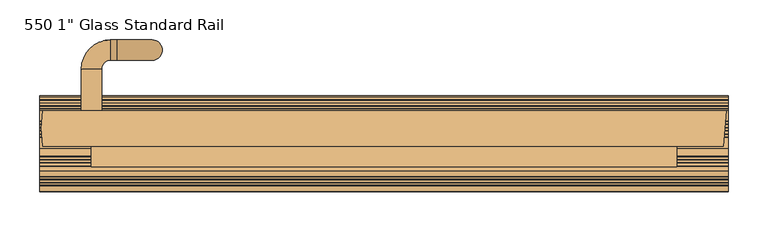
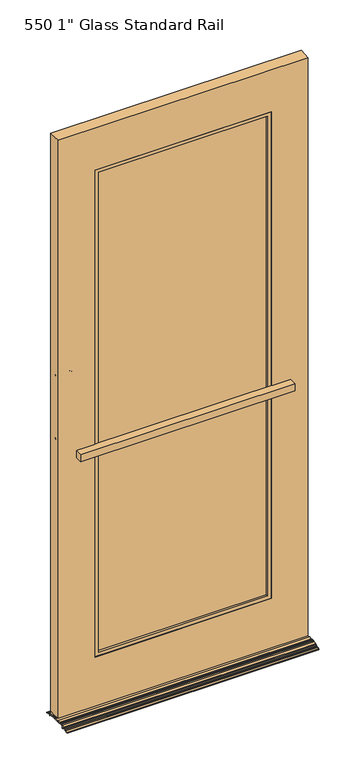
"""IFC4 building model written with IfcOpenShell, lengths in millimetres: door geometry."""

from ifc_helpers import new_model, si_unit, point, frame, frame_2d, origin, place, context, project, spatial, polyline, circle_curve, ellipse_curve, trimmed, segment, composite_curve, outline, extrude, faceted_brep, source, transform, mapped, element, save
from ifc_brep_helpers import plane_surface, cylinder_surface, revolved_surface, advanced_brep


def door_8fe149e4(model_context):
    return source(origin(), model_context, "Body", "SolidModel", [
        advanced_brep(
        [(-379.8092547, 22.225, 1181.1), (-354.4094953, 22.225, 1181.1), (-379.8092547, 22.225, 952.5), (-354.4094953, 22.225, 952.5), (-379.8092547, 74.4897494, 1181.1), (-354.4094953, 74.4897494, 1181.1), (-343.1740041, 85.7252407, 1181.1), (-343.1740041, 111.125, 1181.1), (-335.3592547, 111.125, 1181.1), (-335.3592547, 85.7252407, 1181.1), (-290.9092547, 85.7252407, 1136.65), (-290.9092547, 111.125, 1136.65), (-290.9092547, 111.125, 996.95), (-290.9092547, 85.7252407, 996.95), (-335.3592547, 85.7252407, 952.5), (-335.3592547, 111.125, 952.5), (-343.1740041, 111.125, 952.5), (-343.1740041, 85.7252407, 952.5), (-354.4094953, 74.4897494, 952.5), (-379.8092547, 74.4897494, 952.5)],
        [
            (0, 1, circle_curve(frame((-367.109375, 22.225, 1181.1), z_axis=(0.0, -1.0, 0.0), x_axis=(-1.0, 0.0, 0.0)), 12.6998797)),
            (1, 0, circle_curve(frame((-367.109375, 22.225, 1181.1), z_axis=(0.0, -1.0, 0.0), x_axis=(-1.0, 0.0, 0.0)), 12.6998797)),
            (2, 3, circle_curve(frame((-367.109375, 22.225, 952.5), z_axis=(0.0, -1.0, 0.0), x_axis=(-1.0, 0.0, 0.0)), 12.6998797)),
            (3, 2, circle_curve(frame((-367.109375, 22.225, 952.5), z_axis=(0.0, -1.0, 0.0), x_axis=(-1.0, 0.0, 0.0)), 12.6998797)),
            (0, 4),
            (4, 5, circle_curve(frame((-367.109375, 74.4897494, 1181.1), z_axis=(0.0, -1.0, 0.0), x_axis=(-1.0, 0.0, 0.0)), 12.6998797)),
            (5, 1),
            (5, 4, circle_curve(frame((-367.109375, 74.4897494, 1181.1), z_axis=(0.0, -1.0, 0.0), x_axis=(-1.0, 0.0, 0.0)), 12.6998797)),
            (6, 5, circle_curve(frame((-343.1740041, 74.4897494, 1181.1), z_axis=(0.0, 0.0, 1.0), x_axis=(-1.0, 0.0, 0.0)), 11.2354913)),
            (4, 7, circle_curve(frame((-343.1740041, 74.4897494, 1181.1), z_axis=(0.0, 0.0, -1.0), x_axis=(-1.0, 0.0, 0.0)), 36.6352506)),
            (7, 6, circle_curve(frame((-343.1740041, 98.4251203, 1181.1), z_axis=(-1.0, 0.0, 0.0), x_axis=(0.0, 1.0, 0.0)), 12.6998797)),
            (6, 7, circle_curve(frame((-343.1740041, 98.4251203, 1181.1), z_axis=(-1.0, 0.0, 0.0), x_axis=(0.0, 1.0, 0.0)), 12.6998797)),
            (7, 8),
            (8, 9, circle_curve(frame((-335.3592547, 98.4251203, 1181.1), z_axis=(-1.0, 0.0, 0.0), x_axis=(0.0, 1.0, 0.0)), 12.6998797)),
            (9, 6),
            (9, 8, circle_curve(frame((-335.3592547, 98.4251203, 1181.1), z_axis=(-1.0, 0.0, 0.0), x_axis=(0.0, 1.0, 0.0)), 12.6998797)),
            (10, 9, circle_curve(frame((-335.3592547, 85.7252407, 1136.65), z_axis=(0.0, -1.0, 0.0), x_axis=(0.0, 0.0, 1.0)), 44.45)),
            (8, 11, circle_curve(frame((-335.3592547, 111.125, 1136.65), z_axis=(0.0, 1.0, 0.0), x_axis=(0.0, 0.0, 1.0)), 44.45)),
            (11, 10, circle_curve(frame((-290.9092547, 98.4251203, 1136.65), z_axis=(0.0, 0.0, 1.0), x_axis=(0.0, 1.0, 0.0)), 12.6998797)),
            (10, 11, circle_curve(frame((-290.9092547, 98.4251203, 1136.65), z_axis=(0.0, 0.0, 1.0), x_axis=(0.0, 1.0, 0.0)), 12.6998797)),
            (11, 12),
            (12, 13, circle_curve(frame((-290.9092547, 98.4251203, 996.95), z_axis=(0.0, 0.0, 1.0), x_axis=(0.0, 1.0, 0.0)), 12.6998797)),
            (13, 10),
            (13, 12, circle_curve(frame((-290.9092547, 98.4251203, 996.95), z_axis=(0.0, 0.0, 1.0), x_axis=(0.0, 1.0, 0.0)), 12.6998797)),
            (14, 13, circle_curve(frame((-335.3592547, 85.7252407, 996.95), z_axis=(0.0, -1.0, 0.0), x_axis=(1.0, 0.0, 0.0)), 44.45)),
            (12, 15, circle_curve(frame((-335.3592547, 111.125, 996.95), z_axis=(0.0, 1.0, 0.0), x_axis=(1.0, 0.0, 0.0)), 44.45)),
            (15, 14, circle_curve(frame((-335.3592547, 98.4251203, 952.5), z_axis=(1.0, 0.0, 0.0), x_axis=(0.0, 1.0, 0.0)), 12.6998797)),
            (14, 15, circle_curve(frame((-335.3592547, 98.4251203, 952.5), z_axis=(1.0, 0.0, 0.0), x_axis=(0.0, 1.0, 0.0)), 12.6998797)),
            (15, 16),
            (16, 17, circle_curve(frame((-343.1740041, 98.4251203, 952.5), z_axis=(1.0, 0.0, 0.0), x_axis=(0.0, 1.0, 0.0)), 12.6998797)),
            (17, 14),
            (17, 16, circle_curve(frame((-343.1740041, 98.4251203, 952.5), z_axis=(1.0, 0.0, 0.0), x_axis=(0.0, 1.0, 0.0)), 12.6998797)),
            (18, 17, circle_curve(frame((-343.1740041, 74.4897494, 952.5), z_axis=(0.0, 0.0, -1.0), x_axis=(0.0, 1.0, 0.0)), 11.2354913)),
            (16, 19, circle_curve(frame((-343.1740041, 74.4897494, 952.5), z_axis=(0.0, 0.0, 1.0), x_axis=(0.0, 1.0, 0.0)), 36.6352506)),
            (19, 18, circle_curve(frame((-367.109375, 74.4897494, 952.5), z_axis=(0.0, 1.0, 0.0), x_axis=(-1.0, 0.0, 0.0)), 12.6998797)),
            (18, 19, circle_curve(frame((-367.109375, 74.4897494, 952.5), z_axis=(0.0, 1.0, 0.0), x_axis=(-1.0, 0.0, 0.0)), 12.6998797)),
            (19, 2),
            (3, 18),
        ],
        [
            plane_surface(frame((-379.8092547, 22.225, 1181.1), z_axis=(0.0, -1.0, 0.0), x_axis=(0.0, 0.0, 1.0))),
            plane_surface(frame((-379.8092547, 22.225, 952.5), z_axis=(0.0, -1.0, 0.0), x_axis=(0.0, 0.0, -1.0))),
            cylinder_surface(frame((-367.109375, 22.225, 1181.1), z_axis=(0.0, -1.0, 0.0), x_axis=(-1.0, 0.0, 0.0)), 12.6998797),
            revolved_surface(trimmed(ellipse_curve(frame((-367.109375, 74.4897494, 1181.1), z_axis=(0.0, -1.0, 0.0), x_axis=(-1.0, 0.0, 0.0)), 12.6998797, 12.6998797), [point((-379.8092547, 74.4897494, 1181.1))], [point((-354.4094953, 74.4897494, 1181.1))], True, "CARTESIAN"), (-343.1740041, 74.4897494, 1181.1), (0.0, 0.0, -1.0)),
            revolved_surface(trimmed(ellipse_curve(frame((-367.109375, 74.4897494, 1181.1), z_axis=(0.0, -1.0, 0.0), x_axis=(-1.0, 0.0, 0.0)), 12.6998797, 12.6998797), [point((-354.4094953, 74.4897494, 1181.1))], [point((-379.8092547, 74.4897494, 1181.1))], True, "CARTESIAN"), (-343.1740041, 74.4897494, 1181.1), (0.0, 0.0, -1.0)),
            cylinder_surface(frame((-343.1740041, 98.4251203, 1181.1), z_axis=(-1.0, 0.0, 0.0), x_axis=(0.0, 1.0, 0.0)), 12.6998797),
            revolved_surface(trimmed(ellipse_curve(frame((-335.3592547, 98.4251203, 1181.1), z_axis=(-1.0, 0.0, 0.0), x_axis=(0.0, 1.0, 0.0)), 12.6998797, 12.6998797), [point((-335.3592547, 111.125, 1181.1))], [point((-335.3592547, 85.7252407, 1181.1))], True, "CARTESIAN"), (-335.3592547, 98.425, 1136.65), (0.0, 1.0, 0.0)),
            revolved_surface(trimmed(ellipse_curve(frame((-335.3592547, 98.4251203, 1181.1), z_axis=(-1.0, 0.0, 0.0), x_axis=(0.0, 1.0, 0.0)), 12.6998797, 12.6998797), [point((-335.3592547, 85.7252407, 1181.1))], [point((-335.3592547, 111.125, 1181.1))], True, "CARTESIAN"), (-335.3592547, 98.425, 1136.65), (0.0, 1.0, 0.0)),
            cylinder_surface(frame((-290.9092547, 98.4251203, 1136.65), z_axis=(0.0, 0.0, 1.0), x_axis=(0.0, 1.0, 0.0)), 12.6998797),
            revolved_surface(trimmed(ellipse_curve(frame((-290.9092547, 98.4251203, 996.95), z_axis=(0.0, 0.0, 1.0), x_axis=(0.0, 1.0, 0.0)), 12.6998797, 12.6998797), [point((-290.9092547, 111.125, 996.95))], [point((-290.9092547, 85.7252407, 996.95))], True, "CARTESIAN"), (-335.3592547, 98.425, 996.95), (0.0, 1.0, 0.0)),
            revolved_surface(trimmed(ellipse_curve(frame((-290.9092547, 98.4251203, 996.95), z_axis=(0.0, 0.0, 1.0), x_axis=(0.0, 1.0, 0.0)), 12.6998797, 12.6998797), [point((-290.9092547, 85.7252407, 996.95))], [point((-290.9092547, 111.125, 996.95))], True, "CARTESIAN"), (-335.3592547, 98.425, 996.95), (0.0, 1.0, 0.0)),
            cylinder_surface(frame((-335.3592547, 98.4251203, 952.5), z_axis=(1.0, 0.0, 0.0), x_axis=(0.0, 1.0, 0.0)), 12.6998797),
            revolved_surface(trimmed(ellipse_curve(frame((-343.1740041, 98.4251203, 952.5), z_axis=(1.0, 0.0, 0.0), x_axis=(0.0, 1.0, 0.0)), 12.6998797, 12.6998797), [point((-343.1740041, 111.125, 952.5))], [point((-343.1740041, 85.7252407, 952.5))], True, "CARTESIAN"), (-343.1740041, 74.4897494, 952.5), (0.0, 0.0, 1.0)),
            revolved_surface(trimmed(ellipse_curve(frame((-343.1740041, 98.4251203, 952.5), z_axis=(1.0, 0.0, 0.0), x_axis=(0.0, 1.0, 0.0)), 12.6998797, 12.6998797), [point((-343.1740041, 85.7252407, 952.5))], [point((-343.1740041, 111.125, 952.5))], True, "CARTESIAN"), (-343.1740041, 74.4897494, 952.5), (0.0, 0.0, 1.0)),
            cylinder_surface(frame((-367.109375, 74.4897494, 952.5), z_axis=(0.0, 1.0, 0.0), x_axis=(-1.0, 0.0, 0.0)), 12.6998797),
        ],
        [
            (0, [[1, 2]]),
            (1, [[3, 4]]),
            (2, [[-1, 5, 6, 7]]),
            (2, [[-2, -7, 8, -5]]),
            (3, [[9, -6, 10, 11]]),
            (4, [[-10, -8, -9, 12]]),
            (5, [[-11, 13, 14, 15]]),
            (5, [[-12, -15, 16, -13]]),
            (6, [[17, -14, 18, 19]]),
            (7, [[-18, -16, -17, 20]]),
            (8, [[-19, 21, 22, 23]]),
            (8, [[-20, -23, 24, -21]]),
            (9, [[25, -22, 26, 27]]),
            (10, [[-26, -24, -25, 28]]),
            (11, [[-27, 29, 30, 31]]),
            (11, [[-28, -31, 32, -29]]),
            (12, [[33, -30, 34, 35]]),
            (13, [[-34, -32, -33, 36]]),
            (14, [[-35, 37, -4, 38]]),
            (14, [[-36, -38, -3, -37]]),
        ],
    ),
        extrude(outline(polyline([(299.24375, 12.7), (299.24375, -12.7), (-299.24375, -12.7), (-299.24375, 12.7), (299.24375, 12.7)])), frame((0.0, 0.0, 198.4375), z_axis=(0.0, 0.0, 1.0), x_axis=(1.0, 0.0, 0.0)), (0.0, 0.0, 1.0), 1754.1875),
        advanced_brep(
        [(-428.1386034, 22.225, 2108.2), (-428.1386034, -22.225, 2108.2), (425.8373512, -22.225, 2108.2), (429.41875, 22.225, 2108.2), (429.41875, 22.225, 17.4625), (425.8373512, -22.225, 17.4625), (-428.1386034, -22.225, 17.4625), (-428.1386034, 22.225, 17.4625), (-302.41875, -22.225, 1955.8), (302.41875, -22.225, 1955.8), (302.41875, -22.225, 195.2625), (-302.41875, -22.225, 195.2625), (-302.41875, 22.225, 195.2625), (-302.41875, 22.225, 1955.8), (302.41875, 22.225, 195.2625), (302.41875, 22.225, 1955.8)],
        [
            (0, 1, circle_curve(frame((-287.9589585, 0.0, 2108.2), z_axis=(0.0, 0.0, 1.0), x_axis=(1.0, 0.0, 0.0)), 141.9305587)),
            (1, 2),
            (2, 3),
            (3, 0),
            (4, 5),
            (5, 6),
            (6, 7, circle_curve(frame((-287.9589585, 0.0, 17.4625), z_axis=(0.0, 0.0, -1.0), x_axis=(1.0, 0.0, 0.0)), 141.9305587)),
            (7, 4),
            (0, 7),
            (6, 1),
            (5, 2),
            (8, 9),
            (9, 10),
            (10, 11),
            (11, 8),
            (11, 12),
            (12, 13),
            (13, 8),
            (3, 4),
            (12, 14),
            (14, 15),
            (15, 13),
            (14, 10),
            (9, 15),
        ],
        [
            plane_surface(frame((-146.0283998, 0.0, 2108.2), z_axis=(0.0, 0.0, 1.0), x_axis=(0.0, 1.0, 0.0))),
            plane_surface(frame((-146.0283998, 0.0, 17.4625), z_axis=(0.0, 0.0, -1.0), x_axis=(0.0, -1.0, 0.0))),
            cylinder_surface(frame((-287.9589585, 0.0, 17.4625), z_axis=(0.0, 0.0, 1.0), x_axis=(1.0, 0.0, 0.0)), 141.9305587),
            plane_surface(frame((-428.1386034, -22.225, 2108.2), z_axis=(0.0, -1.0, 0.0), x_axis=(0.0, 0.0, -1.0))),
            plane_surface(frame((-302.41875, -22.225, 2108.2), z_axis=(1.0, 0.0, 0.0), x_axis=(0.0, 0.0, -1.0))),
            plane_surface(frame((-302.41875, 22.225, 2108.2), z_axis=(0.0, 1.0, 0.0), x_axis=(0.0, 0.0, -1.0))),
            plane_surface(frame((302.41875, 22.225, 2108.2), z_axis=(-1.0, 0.0, 0.0), x_axis=(0.0, 0.0, -1.0))),
            plane_surface(frame((425.8373512, -22.225, 2108.2), z_axis=(0.9967698431043912, -0.08031114416846107, 0.0), x_axis=(0.0, 0.0, -1.0))),
            plane_surface(frame((-302.41875, -22.225, 195.2625), z_axis=(0.0, 0.0, 1.0), x_axis=(1.0, 0.0, 0.0))),
            plane_surface(frame((-302.41875, 22.225, 1955.8), z_axis=(0.0, 0.0, -1.0), x_axis=(1.0, 0.0, 0.0))),
        ],
        [
            (0, [[1, 2, 3, 4]]),
            (1, [[5, 6, 7, 8]]),
            (2, [[-1, 9, -7, 10]]),
            (3, [[-2, -10, -6, 11], [12, 13, 14, 15]]),
            (4, [[-15, 16, 17, 18]]),
            (5, [[-4, 19, -8, -9], [20, 21, 22, -17]]),
            (6, [[-21, 23, -13, 24]]),
            (7, [[-3, -11, -5, -19]]),
            (8, [[-14, -23, -20, -16]]),
            (9, [[-22, -24, -12, -18]]),
        ],
    ),
        faceted_brep([(297.0609375, -12.7, 1950.4421875), (-297.0339513, -12.7, 1950.4421875), (-297.0339513, -18.9507812, 1950.4421875), (297.0609375, -18.9507812, 1950.4421875), (-297.0339513, -12.7, 200.6203125), (297.0609375, -12.7, 200.6203125), (297.0609375, -18.9507812, 200.6203125), (-297.0339513, -18.9507812, 200.6203125), (-302.41875, -20.6375, 195.2625), (302.41875, -20.6375, 195.2625), (302.41875, -20.6375, 1955.8), (-302.41875, -20.6375, 1955.8), (289.71875, -20.6375, 207.9625), (-289.71875, -20.6375, 207.9625), (-289.71875, -20.6375, 1943.1), (289.71875, -20.6375, 1943.1), (-289.71875, -12.7, 207.9625), (-289.71875, -12.7, 1943.1), (289.71875, -12.7, 207.9625), (289.71875, -12.7, 1943.1), (-302.41875, -18.9507812, 1955.8), (-302.41875, -18.9507812, 195.2625), (302.41875, -18.9507812, 195.2625), (302.41875, -18.9507812, 1955.8)], [[[0, 1, 2, 3]], [[4, 5, 6, 7]], [[8, 9, 10, 11], [12, 13, 14, 15]], [[14, 13, 16, 17]], [[4, 1, 0, 5], [16, 18, 19, 17]], [[1, 4, 7, 2]], [[5, 0, 3, 6]], [[19, 18, 12, 15]], [[13, 12, 18, 16]], [[17, 19, 15, 14]], [[8, 11, 20, 21]], [[22, 21, 20, 23], [2, 7, 6, 3]], [[22, 23, 10, 9]], [[8, 21, 22, 9]], [[20, 11, 10, 23]]]),
        faceted_brep([(-297.0339513, 12.7, 1950.4421875), (297.0609375, 12.7, 1950.4421875), (297.0609375, 18.9507813, 1950.4421875), (-297.0339513, 18.9507813, 1950.4421875), (297.0609375, 12.7, 200.6203125), (-297.0339513, 12.7, 200.6203125), (-297.0339513, 18.9507813, 200.6203125), (297.0609375, 18.9507813, 200.6203125), (289.71875, 12.7, 207.9625), (-289.71875, 12.7, 207.9625), (-289.71875, 12.7, 1943.1), (289.71875, 12.7, 1943.1), (-289.71875, 20.6375, 207.9625), (-289.71875, 20.6375, 1943.1), (302.41875, 20.6375, 195.2625), (-302.41875, 20.6375, 195.2625), (-302.41875, 20.6375, 1955.8), (302.41875, 20.6375, 1955.8), (289.71875, 20.6375, 207.9625), (289.71875, 20.6375, 1943.1), (-302.41875, 18.9507813, 1955.8), (-302.41875, 18.9507813, 195.2625), (302.41875, 18.9507813, 1955.8), (302.41875, 18.9507813, 195.2625)], [[[0, 1, 2, 3]], [[4, 5, 6, 7]], [[5, 0, 3, 6]], [[0, 5, 4, 1], [8, 9, 10, 11]], [[10, 9, 12, 13]], [[14, 15, 16, 17], [12, 18, 19, 13]], [[19, 18, 8, 11]], [[1, 4, 7, 2]], [[9, 8, 18, 12]], [[13, 19, 11, 10]], [[20, 16, 15, 21]], [[22, 20, 21, 23], [6, 3, 2, 7]], [[14, 17, 22, 23]], [[21, 15, 14, 23]], [[16, 20, 22, 17]]]),
        extrude(outline(composite_curve([segment(polyline([(-74.4463117, 0.6592104), (-79.3749985, -0.0384612), (-79.3749985, 1.0536177)]), True, "CONTINUOUS"), segment(trimmed(circle_curve(frame_2d((-78.5875974, 1.0536177)), 0.787401), [point((-79.3749985, 1.0536177))], [point((-78.8952504, 1.778428))], False, "CARTESIAN"), True, "CONTINUOUS"), segment(polyline([(-78.8952504, 1.778428), (-72.080128, 4.6712688), (-71.0476981, 4.2541355), (-68.1017138, 5.5046317), (-67.6845737, 6.5370784), (-64.5982932, 7.8471282), (-63.5658209, 7.4299778), (-60.6198634, 8.6804626), (-60.2027216, 9.7129136), (-53.1655951, 12.7), (-47.6249802, 12.7), (-46.8375768, 11.9125965), (-43.6371694, 11.9125965), (-42.8497659, 12.7), (-39.4969346, 12.7), (-38.7095311, 11.9125965), (-35.5091494, 11.9125965), (-34.7217459, 12.7), (-25.4254587, 12.7), (-25.4254587, 11.1252051), (-11.506257, 11.1252051), (-10.7188656, 10.3378138), (-7.518454, 10.3378138), (-6.7310505, 11.1252172), (-3.3782577, 11.1252172), (-2.5908663, 10.3378259), (0.6095438, 10.3378259), (1.3969473, 11.1252294), (4.7497415, 11.1252294), (5.5371329, 10.337838), (8.7375416, 10.337838), (9.5249572, 11.1252536), (22.2248396, 11.1252536), (24.5605282, 10.05395), (24.9479776, 9.0099349), (27.8569404, 7.6756893), (28.9009556, 8.0631387), (31.948514, 6.6653239), (32.3359515, 5.6213409), (35.2449434, 4.2870819), (36.2889266, 4.6745194), (39.4293372, 3.2341163)]), True, "CONTINUOUS"), segment(trimmed(circle_curve(frame_2d((38.1254103, 0.3671045)), 3.1496003), [point((39.4293372, 3.2341163))], [point((41.2538923, 0.0029861))], False, "CARTESIAN"), True, "CONTINUOUS"), segment(polyline([(41.2538923, 0.0029861), (36.3463037, 0.6976712), (36.3463037, 1.6022642), (30.4710181, 4.2970645), (30.0835926, 5.3410154), (29.1138782, 5.7857915), (28.0699272, 5.3983659), (24.3077944, 7.1239325), (24.3077944, 0.0), (22.7329874, 0.0), (22.7329874, 7.8462447), (21.6201634, 8.3566605), (10.6717545, 8.3566605), (9.8843268, 7.5692327), (4.3903392, 7.5692327), (3.6029357, 8.3566362), (2.5437446, 8.3566362), (1.7563411, 7.5692327), (-3.7376722, 7.5692327), (-4.5250515, 8.356612), (-5.5842653, 8.356612), (-6.3716688, 7.5692085), (-11.8656594, 7.5692085), (-12.6530507, 8.3565999), (-28.1940518, 8.3565999), (-28.1940518, 9.9313948), (-33.5749522, 9.9313948), (-34.3623557, 9.1439913), (-39.8525566, 9.1439913), (-40.639948, 9.9313827), (-41.7067611, 9.9313827), (-42.4941524, 9.1439913), (-47.9843363, 9.1439913), (-48.7717398, 9.9313948), (-51.5908069, 9.9313948), (-51.5908069, 0.0), (-53.1656017, 0.0), (-53.1656017, 9.6923002), (-58.0653142, 7.6124932), (-58.4824595, 6.5800337), (-63.5396756, 4.4333727), (-64.5721418, 4.8505207), (-65.5471795, 4.4366418), (-65.9643178, 3.4041994), (-71.0215685, 1.2575237), (-72.0540348, 1.6746717), (-74.4463117, 0.6592104)]), True, "CONTINUOUS")], self_intersect=False)), frame((-431.8, 0.0, 0.0), z_axis=(1.0, 0.0, 0.0), x_axis=(0.0, 1.0, 0.0)), (0.0, 0.0, 1.0), 863.6),
        extrude(outline(polyline([(-367.109375, -47.625), (-367.109375, -22.225), (367.109375, -22.225), (367.109375, -47.625), (-367.109375, -47.625)])), frame((0.0, 0.0, 939.8), z_axis=(0.0, 0.0, 1.0), x_axis=(1.0, 0.0, 0.0)), (0.0, 0.0, 1.0), 25.3998797),
    ])


if __name__ == "__main__":
    model = new_model("IFC4")
    model_context = context("Model", 3, world=origin())
    ifc_project = project(units=[si_unit("LENGTHUNIT", "METRE", prefix="MILLI")], contexts=[model_context])
    site = spatial("IfcSite", under=ifc_project)
    building = spatial("IfcBuilding", under=site)
    placement = place(None, origin())
    door_shape = door_8fe149e4(model_context)
    element("IfcDoor", 1, ObjectType="550 1\" Glass Standard Rail", at=placement, inside=building, context=model_context, shape_type="MappedRepresentation", body=[
        mapped(door_shape, transform((0.0, 0.0, 0.0), x_axis=(1.0, 0.0, 0.0), y_axis=(0.0, 1.0, 0.0), z_axis=(0.0, 0.0, 1.0))),
    ])
    save(model, "model.ifc")
